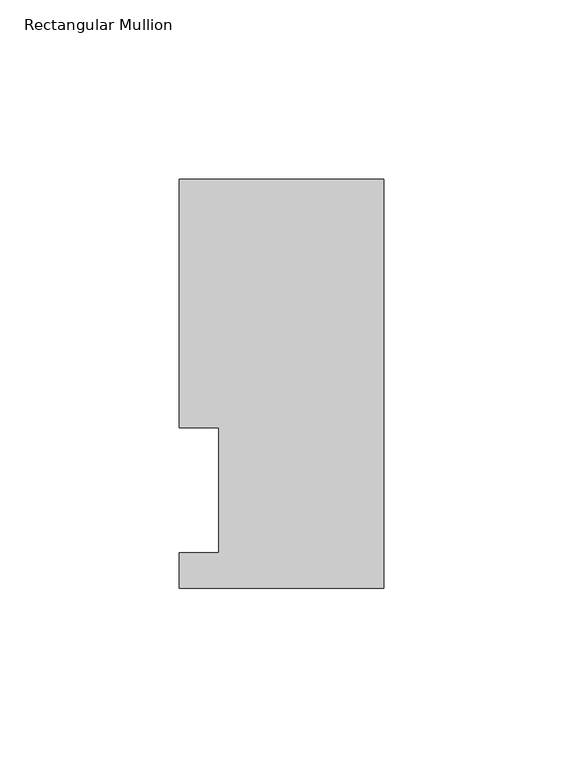
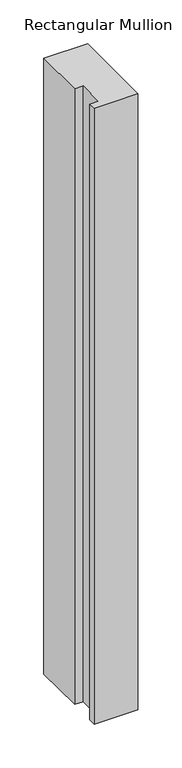
"""IFC4 building model written with IfcOpenShell, lengths in millimetres: member geometry, Rectangular Mullion."""

from ifc_helpers import new_model, si_unit, frame, origin, place, context, project, spatial, polyline, outline, extrude, source, transform, mapped, element, save


def rectangular_mullion_894d6345(model_context):
    return source(origin(), model_context, "Body", "SweptSolid", [
        extrude(outline(polyline([(0.0, 114.0729875), (0.0, -0.2270125), (-57.15, -0.2270125), (-57.15, 9.6789875), (-46.0375, 9.6789875), (-46.0375, 44.6039875), (-57.15, 44.6039875), (-57.15, 114.0729875), (0.0, 114.0729875)])), frame((0.0, 0.0, -854.075), z_axis=(0.0, 0.0, 1.0), x_axis=(1.0, 0.0, 0.0)), (0.0, 0.0, 1.0), 854.075),
    ])


if __name__ == "__main__":
    model = new_model("IFC4")
    model_context = context("Model", 3, world=origin())
    ifc_project = project(units=[si_unit("LENGTHUNIT", "METRE", prefix="MILLI")], contexts=[model_context])
    site = spatial("IfcSite", under=ifc_project)
    building = spatial("IfcBuilding", under=site)
    placement = place(None, origin())
    rectangular_mullion_shape = rectangular_mullion_894d6345(model_context)
    element("IfcMember", 1, ObjectType="Rectangular Mullion", at=placement, inside=building, context=model_context, shape_type="MappedRepresentation", body=[
        mapped(rectangular_mullion_shape, transform((0.0, 0.0, 0.0), x_axis=(1.0, 0.0, 0.0), y_axis=(0.0, 1.0, 0.0), z_axis=(0.0, 0.0, 1.0))),
    ])
    save(model, "model.ifc")
